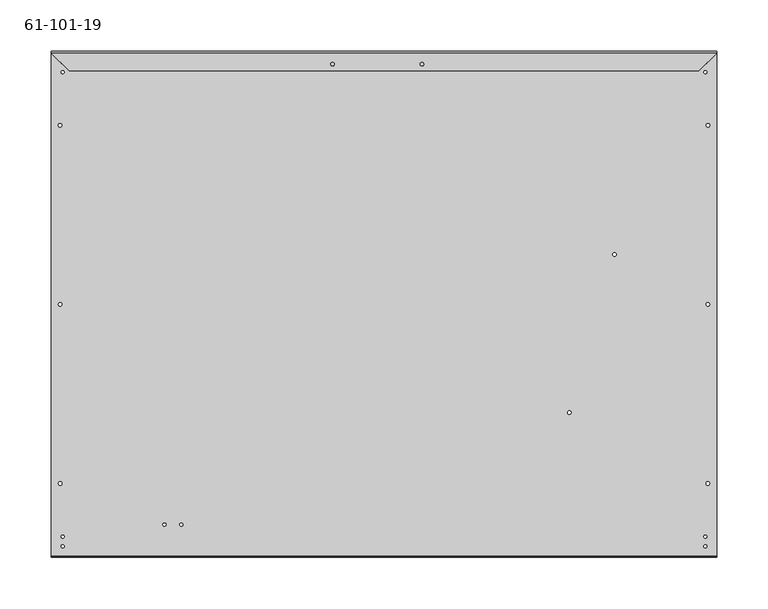
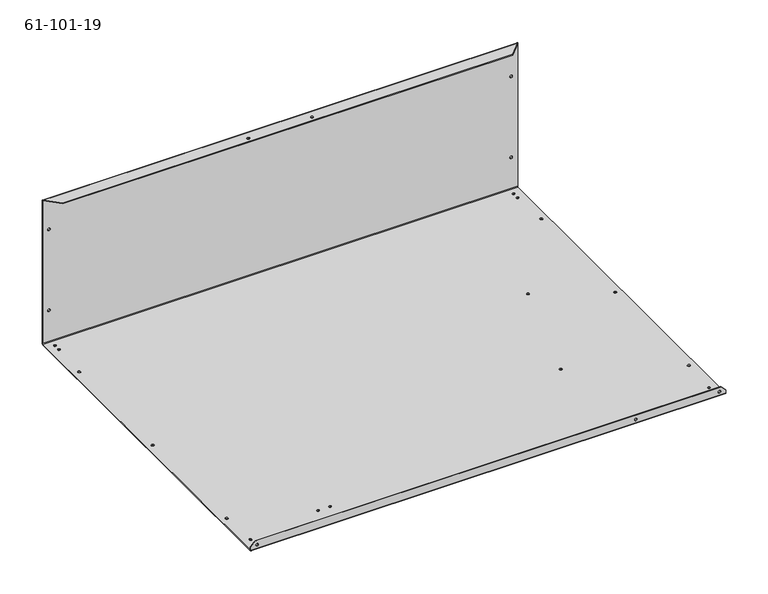
"""IFC4 building model written with IfcOpenShell, lengths in millimetres: proxy geometry, 61-101-19."""

from ifc_helpers import new_model, si_unit, frame, origin, place, context, project, spatial, polyline, circle_curve, source, transform, mapped, element, save
from ifc_brep_helpers import plane_surface, cylinder_surface, revolved_surface, advanced_brep


def proxy_61_101_19_1109a837(model_context):
    return source(origin(), model_context, "Body", "AdvancedBrep", [
        advanced_brep(
        [(642.01294, 8.7529273, 46.7603535), (642.01294, 7.8994873, 46.7603535), (638.58394, 7.8994873, 46.7603535), (638.58394, 8.7529273, 46.7603535), (10.3759, 8.7529273, 46.7603535), (10.3759, 7.8994873, 46.7603535), (6.9469, 7.8994873, 46.7603535), (6.9469, 8.7529273, 46.7603535), (10.3759, 8.7529273, 163.6329268), (10.3759, 7.8994873, 163.6329268), (6.9469, 7.8994873, 163.6329268), (6.9469, 8.7529273, 163.6329268), (642.01294, 8.7529273, 163.6329268), (642.01294, 7.8994873, 163.6329268), (638.58394, 7.8994873, 163.6329268), (638.58394, 8.7529273, 163.6329268), (137.4521, 7.8994873, 200.025), (137.4521, 8.7529273, 200.025), (133.1087, 8.7529273, 200.025), (133.1087, 7.8994873, 200.025), (530.4917, 7.8994873, 200.025), (530.4917, 8.7529273, 200.025), (526.1483, 8.7529273, 200.025), (526.1483, 7.8994873, 200.025), (549.5417, 7.8994873, 200.025), (549.5417, 8.7529273, 200.025), (545.1983, 8.7529273, 200.025), (545.1983, 7.8994873, 200.025), (156.5021, 7.8994873, 200.025), (156.5021, 8.7529273, 200.025), (152.1587, 8.7529273, 200.025), (152.1587, 7.8994873, 200.025), (10.3759, -484.0172327, 6.46938), (10.3759, -484.8706727, 6.46938), (6.9469, -484.8706727, 6.46938), (6.9469, -484.0172327, 6.46938), (527.7231, -484.0172327, 6.46938), (527.7231, -484.8706727, 6.46938), (524.2941, -484.8706727, 6.46938), (524.2941, -484.0172327, 6.46938), (642.0231, -484.0172327, 6.46938), (642.0231, -484.8706727, 6.46938), (638.5941, -484.8706727, 6.46938), (638.5941, -484.0172327, 6.46938), (6.95706, -63.4074259, 0.85344), (6.95706, -63.4074259, 0.0), (10.38606, -63.4074259, 0.0), (10.38606, -63.4074259, 0.85344), (6.95706, -412.7153995, 0.85344), (6.95706, -412.7153995, 0.0), (10.38606, -412.7153995, 0.0), (10.38606, -412.7153995, 0.85344), (638.58394, -238.0614127, 0.85344), (638.58394, -238.0614127, 0.0), (642.01294, -238.0614127, 0.0), (642.01294, -238.0614127, 0.85344), (638.58394, -63.4074259, 0.85344), (638.58394, -63.4074259, 0.0), (642.01294, -63.4074259, 0.0), (642.01294, -63.4074259, 0.85344), (638.58394, -412.7153995, 0.85344), (638.58394, -412.7153995, 0.0), (642.01294, -412.7153995, 0.0), (642.01294, -412.7153995, 0.85344), (6.95706, -238.0614127, 0.85344), (6.95706, -238.0614127, 0.0), (10.38606, -238.0614127, 0.0), (10.38606, -238.0614127, 0.85344), (503.50674, -343.6065561, 0.85344), (503.50674, -343.6065561, 0.0), (506.93574, -343.6065561, 0.0), (506.93574, -343.6065561, 0.85344), (547.5605, -189.5042327, 0.85344), (547.5605, -189.5042327, 0.0), (550.9895, -189.5042327, 0.0), (550.9895, -189.5042327, 0.85344), (636.3335, -11.5670727, 0.85344), (636.3335, -11.5670727, 0.0), (639.3815, -11.5670727, 0.0), (639.3815, -11.5670727, 0.85344), (636.3335, -474.0756727, 0.85344), (636.3335, -474.0756727, 0.0), (639.3815, -474.0756727, 0.0), (639.3815, -474.0756727, 0.85344), (9.5885, -464.5506727, 0.85344), (9.5885, -464.5506727, 0.0), (12.6365, -464.5506727, 0.0), (12.6365, -464.5506727, 0.85344), (9.5885, -11.5670727, 0.85344), (9.5885, -11.5670727, 0.0), (12.6365, -11.5670727, 0.0), (12.6365, -11.5670727, 0.85344), (9.5885, -2.0420727, 0.85344), (9.5885, -2.0420727, 0.0), (12.6365, -2.0420727, 0.0), (12.6365, -2.0420727, 0.85344), (9.5885, -474.0756727, 0.85344), (9.5885, -474.0756727, 0.0), (12.6365, -474.0756727, 0.0), (12.6365, -474.0756727, 0.85344), (636.3335, -464.5506727, 0.85344), (636.3335, -464.5506727, 0.0), (639.3815, -464.5506727, 0.0), (639.3815, -464.5506727, 0.85344), (636.3335, -2.0420727, 0.85344), (636.3335, -2.0420727, 0.0), (639.3815, -2.0420727, 0.0), (639.3815, -2.0420727, 0.85344), (108.87202, -452.8285727, 0.85344), (108.87202, -452.8285727, 0.0), (111.92002, -452.8285727, 0.0), (111.92002, -452.8285727, 0.85344), (125.38202, -452.8285727, 0.85344), (125.38202, -452.8285727, 0.0), (128.43002, -452.8285727, 0.0), (128.43002, -452.8285727, 0.85344), (363.0881332, -3.851312, 208.69656), (363.0881332, -3.851312, 209.55), (359.6591332, -3.851312, 209.55), (359.6591332, -3.851312, 208.69656), (276.0423332, -3.851312, 208.69656), (276.0423332, -3.851312, 209.55), (272.6133332, -3.851312, 209.55), (272.6133332, -3.851312, 208.69656), (648.97, -484.0172327, 6.35508), (642.62, -484.0172327, 12.70508), (642.62, -484.8706727, 12.70508), (648.97, -484.8706727, 6.35508), (6.35, -484.0172327, 12.70508), (6.35, -484.8706727, 12.70508), (648.97, -484.0172327, 1.70688), (0.0, -484.0172327, 1.70688), (0.0, -484.0172327, 6.35508), (0.0, -484.8706727, 6.35508), (0.0, -484.8706727, 1.70688), (648.97, -484.8706727, 1.70688), (648.97, 7.0460473, 209.55), (631.62688, -10.2970727, 209.55), (631.62688, -10.2970727, 208.69656), (648.97, 7.0460473, 208.69656), (17.34312, -10.2970727, 209.55), (0.0, 7.0460473, 209.55), (0.0, 7.0460473, 208.69656), (17.34312, -10.2970727, 208.69656), (0.0, 7.8994873, 207.84312), (648.97, 7.8994873, 207.84312), (0.0, 8.7529273, 207.84312), (648.97, 8.7529273, 207.84312), (0.0, 8.7529273, 1.70688), (0.0, 7.8994873, 1.70688), (648.97, 8.7529273, 1.70688), (648.97, 7.8994873, 1.70688), (0.0, 7.0460473, 0.85344), (648.97, 7.0460473, 0.85344), (0.0, 7.0460473, 0.0), (648.97, 7.0460473, 0.0), (648.97, -483.1637927, 0.85344), (648.97, -483.1637927, 0.0), (0.0, -483.1637927, 0.85344), (0.0, -483.1637927, 0.0)],
        [
            (0, 1),
            (1, 2, circle_curve(frame((640.29844, 7.8994873, 46.7603535), z_axis=(0.0, -1.0, 0.0), x_axis=(1.0, 0.0, 0.0)), 1.7145)),
            (2, 3),
            (3, 0, circle_curve(frame((640.29844, 8.7529273, 46.7603535), z_axis=(0.0, 1.0, 0.0), x_axis=(1.0, 0.0, 0.0)), 1.7145)),
            (4, 5),
            (5, 6, circle_curve(frame((8.6614, 7.8994873, 46.7603535), z_axis=(0.0, -1.0, 0.0), x_axis=(1.0, 0.0, 0.0)), 1.7145)),
            (6, 7),
            (7, 4, circle_curve(frame((8.6614, 8.7529273, 46.7603535), z_axis=(0.0, 1.0, 0.0), x_axis=(1.0, 0.0, 0.0)), 1.7145)),
            (8, 9),
            (9, 10, circle_curve(frame((8.6614, 7.8994873, 163.6329268), z_axis=(0.0, -1.0, 0.0), x_axis=(1.0, 0.0, 0.0)), 1.7145)),
            (10, 11),
            (11, 8, circle_curve(frame((8.6614, 8.7529273, 163.6329268), z_axis=(0.0, 1.0, 0.0), x_axis=(1.0, 0.0, 0.0)), 1.7145)),
            (12, 13),
            (13, 14, circle_curve(frame((640.29844, 7.8994873, 163.6329268), z_axis=(0.0, -1.0, 0.0), x_axis=(1.0, 0.0, 0.0)), 1.7145)),
            (14, 15),
            (15, 12, circle_curve(frame((640.29844, 8.7529273, 163.6329268), z_axis=(0.0, 1.0, 0.0), x_axis=(1.0, 0.0, 0.0)), 1.7145)),
            (16, 17),
            (17, 18, circle_curve(frame((135.2804, 8.7529273, 200.025), z_axis=(0.0, 1.0, 0.0), x_axis=(1.0, 0.0, 0.0)), 2.1717)),
            (18, 19),
            (19, 16, circle_curve(frame((135.2804, 7.8994873, 200.025), z_axis=(0.0, -1.0, 0.0), x_axis=(1.0, 0.0, 0.0)), 2.1717)),
            (20, 21),
            (21, 22, circle_curve(frame((528.32, 8.7529273, 200.025), z_axis=(0.0, 1.0, 0.0), x_axis=(1.0, 0.0, 0.0)), 2.1717)),
            (22, 23),
            (23, 20, circle_curve(frame((528.32, 7.8994873, 200.025), z_axis=(0.0, -1.0, 0.0), x_axis=(1.0, 0.0, 0.0)), 2.1717)),
            (24, 25),
            (25, 26, circle_curve(frame((547.37, 8.7529273, 200.025), z_axis=(0.0, 1.0, 0.0), x_axis=(1.0, 0.0, 0.0)), 2.1717)),
            (26, 27),
            (27, 24, circle_curve(frame((547.37, 7.8994873, 200.025), z_axis=(0.0, -1.0, 0.0), x_axis=(1.0, 0.0, 0.0)), 2.1717)),
            (28, 29),
            (29, 30, circle_curve(frame((154.3304, 8.7529273, 200.025), z_axis=(0.0, 1.0, 0.0), x_axis=(1.0, 0.0, 0.0)), 2.1717)),
            (30, 31),
            (31, 28, circle_curve(frame((154.3304, 7.8994873, 200.025), z_axis=(0.0, -1.0, 0.0), x_axis=(1.0, 0.0, 0.0)), 2.1717)),
            (32, 33),
            (33, 34, circle_curve(frame((8.6614, -484.8706727, 6.46938), z_axis=(0.0, -1.0, 0.0), x_axis=(1.0, 0.0, 0.0)), 1.7145)),
            (34, 35),
            (35, 32, circle_curve(frame((8.6614, -484.0172327, 6.46938), z_axis=(0.0, 1.0, 0.0), x_axis=(1.0, 0.0, 0.0)), 1.7145)),
            (36, 37),
            (37, 38, circle_curve(frame((526.0086, -484.8706727, 6.46938), z_axis=(0.0, -1.0, 0.0), x_axis=(1.0, 0.0, 0.0)), 1.7145)),
            (38, 39),
            (39, 36, circle_curve(frame((526.0086, -484.0172327, 6.46938), z_axis=(0.0, 1.0, 0.0), x_axis=(1.0, 0.0, 0.0)), 1.7145)),
            (40, 41),
            (41, 42, circle_curve(frame((640.3086, -484.8706727, 6.46938), z_axis=(0.0, -1.0, 0.0), x_axis=(1.0, 0.0, 0.0)), 1.7145)),
            (42, 43),
            (43, 40, circle_curve(frame((640.3086, -484.0172327, 6.46938), z_axis=(0.0, 1.0, 0.0), x_axis=(1.0, 0.0, 0.0)), 1.7145)),
            (44, 45),
            (45, 46, circle_curve(frame((8.67156, -63.4074259, 0.0), z_axis=(0.0, 0.0, -1.0), x_axis=(-1.0, 0.0, 0.0)), 1.7145)),
            (46, 47),
            (47, 44, circle_curve(frame((8.67156, -63.4074259, 0.85344), z_axis=(0.0, 0.0, 1.0), x_axis=(-1.0, 0.0, 0.0)), 1.7145)),
            (48, 49),
            (49, 50, circle_curve(frame((8.67156, -412.7153995, 0.0), z_axis=(0.0, 0.0, -1.0), x_axis=(-1.0, 0.0, 0.0)), 1.7145)),
            (50, 51),
            (51, 48, circle_curve(frame((8.67156, -412.7153995, 0.85344), z_axis=(0.0, 0.0, 1.0), x_axis=(-1.0, 0.0, 0.0)), 1.7145)),
            (52, 53),
            (53, 54, circle_curve(frame((640.29844, -238.0614127, 0.0), z_axis=(0.0, 0.0, -1.0), x_axis=(-1.0, 0.0, 0.0)), 1.7145)),
            (54, 55),
            (55, 52, circle_curve(frame((640.29844, -238.0614127, 0.85344), z_axis=(0.0, 0.0, 1.0), x_axis=(-1.0, 0.0, 0.0)), 1.7145)),
            (56, 57),
            (57, 58, circle_curve(frame((640.29844, -63.4074259, 0.0), z_axis=(0.0, 0.0, -1.0), x_axis=(-1.0, 0.0, 0.0)), 1.7145)),
            (58, 59),
            (59, 56, circle_curve(frame((640.29844, -63.4074259, 0.85344), z_axis=(0.0, 0.0, 1.0), x_axis=(-1.0, 0.0, 0.0)), 1.7145)),
            (60, 61),
            (61, 62, circle_curve(frame((640.29844, -412.7153995, 0.0), z_axis=(0.0, 0.0, -1.0), x_axis=(-1.0, 0.0, 0.0)), 1.7145)),
            (62, 63),
            (63, 60, circle_curve(frame((640.29844, -412.7153995, 0.85344), z_axis=(0.0, 0.0, 1.0), x_axis=(-1.0, 0.0, 0.0)), 1.7145)),
            (64, 65),
            (65, 66, circle_curve(frame((8.67156, -238.0614127, 0.0), z_axis=(0.0, 0.0, -1.0), x_axis=(-1.0, 0.0, 0.0)), 1.7145)),
            (66, 67),
            (67, 64, circle_curve(frame((8.67156, -238.0614127, 0.85344), z_axis=(0.0, 0.0, 1.0), x_axis=(-1.0, 0.0, 0.0)), 1.7145)),
            (68, 69),
            (69, 70, circle_curve(frame((505.22124, -343.6065561, 0.0), z_axis=(0.0, 0.0, -1.0), x_axis=(-1.0, 0.0, 0.0)), 1.7145)),
            (70, 71),
            (71, 68, circle_curve(frame((505.22124, -343.6065561, 0.85344), z_axis=(0.0, 0.0, 1.0), x_axis=(-1.0, 0.0, 0.0)), 1.7145)),
            (72, 73),
            (73, 74, circle_curve(frame((549.275, -189.5042327, 0.0), z_axis=(0.0, 0.0, -1.0), x_axis=(-1.0, 0.0, 0.0)), 1.7145)),
            (74, 75),
            (75, 72, circle_curve(frame((549.275, -189.5042327, 0.85344), z_axis=(0.0, 0.0, 1.0), x_axis=(-1.0, 0.0, 0.0)), 1.7145)),
            (76, 77),
            (77, 78, circle_curve(frame((637.8575, -11.5670727, 0.0), z_axis=(0.0, 0.0, -1.0), x_axis=(-1.0, 0.0, 0.0)), 1.524)),
            (78, 79),
            (79, 76, circle_curve(frame((637.8575, -11.5670727, 0.85344), z_axis=(0.0, 0.0, 1.0), x_axis=(-1.0, 0.0, 0.0)), 1.524)),
            (80, 81),
            (81, 82, circle_curve(frame((637.8575, -474.0756727, 0.0), z_axis=(0.0, 0.0, -1.0), x_axis=(-1.0, 0.0, 0.0)), 1.524)),
            (82, 83),
            (83, 80, circle_curve(frame((637.8575, -474.0756727, 0.85344), z_axis=(0.0, 0.0, 1.0), x_axis=(-1.0, 0.0, 0.0)), 1.524)),
            (84, 85),
            (85, 86, circle_curve(frame((11.1125, -464.5506727, 0.0), z_axis=(0.0, 0.0, -1.0), x_axis=(-1.0, 0.0, 0.0)), 1.524)),
            (86, 87),
            (87, 84, circle_curve(frame((11.1125, -464.5506727, 0.85344), z_axis=(0.0, 0.0, 1.0), x_axis=(-1.0, 0.0, 0.0)), 1.524)),
            (88, 89),
            (89, 90, circle_curve(frame((11.1125, -11.5670727, 0.0), z_axis=(0.0, 0.0, -1.0), x_axis=(-1.0, 0.0, 0.0)), 1.524)),
            (90, 91),
            (91, 88, circle_curve(frame((11.1125, -11.5670727, 0.85344), z_axis=(0.0, 0.0, 1.0), x_axis=(-1.0, 0.0, 0.0)), 1.524)),
            (92, 93),
            (93, 94, circle_curve(frame((11.1125, -2.0420727, 0.0), z_axis=(0.0, 0.0, -1.0), x_axis=(-1.0, 0.0, 0.0)), 1.524)),
            (94, 95),
            (95, 92, circle_curve(frame((11.1125, -2.0420727, 0.85344), z_axis=(0.0, 0.0, 1.0), x_axis=(-1.0, 0.0, 0.0)), 1.524)),
            (96, 97),
            (97, 98, circle_curve(frame((11.1125, -474.0756727, 0.0), z_axis=(0.0, 0.0, -1.0), x_axis=(-1.0, 0.0, 0.0)), 1.524)),
            (98, 99),
            (99, 96, circle_curve(frame((11.1125, -474.0756727, 0.85344), z_axis=(0.0, 0.0, 1.0), x_axis=(-1.0, 0.0, 0.0)), 1.524)),
            (100, 101),
            (101, 102, circle_curve(frame((637.8575, -464.5506727, 0.0), z_axis=(0.0, 0.0, -1.0), x_axis=(-1.0, 0.0, 0.0)), 1.524)),
            (102, 103),
            (103, 100, circle_curve(frame((637.8575, -464.5506727, 0.85344), z_axis=(0.0, 0.0, 1.0), x_axis=(-1.0, 0.0, 0.0)), 1.524)),
            (104, 105),
            (105, 106, circle_curve(frame((637.8575, -2.0420727, 0.0), z_axis=(0.0, 0.0, -1.0), x_axis=(-1.0, 0.0, 0.0)), 1.524)),
            (106, 107),
            (107, 104, circle_curve(frame((637.8575, -2.0420727, 0.85344), z_axis=(0.0, 0.0, 1.0), x_axis=(-1.0, 0.0, 0.0)), 1.524)),
            (108, 109),
            (109, 110, circle_curve(frame((110.39602, -452.8285727, 0.0), z_axis=(0.0, 0.0, -1.0), x_axis=(-1.0, 0.0, 0.0)), 1.524)),
            (110, 111),
            (111, 108, circle_curve(frame((110.39602, -452.8285727, 0.85344), z_axis=(0.0, 0.0, 1.0), x_axis=(-1.0, 0.0, 0.0)), 1.524)),
            (112, 113),
            (113, 114, circle_curve(frame((126.90602, -452.8285727, 0.0), z_axis=(0.0, 0.0, -1.0), x_axis=(-1.0, 0.0, 0.0)), 1.524)),
            (114, 115),
            (115, 112, circle_curve(frame((126.90602, -452.8285727, 0.85344), z_axis=(0.0, 0.0, 1.0), x_axis=(-1.0, 0.0, 0.0)), 1.524)),
            (116, 117),
            (117, 118, circle_curve(frame((361.3736332, -3.851312, 209.55), z_axis=(0.0, 0.0, 1.0), x_axis=(1.0, 0.0, 0.0)), 1.7145)),
            (118, 119),
            (119, 116, circle_curve(frame((361.3736332, -3.851312, 208.69656), z_axis=(0.0, 0.0, -1.0), x_axis=(1.0, 0.0, 0.0)), 1.7145)),
            (120, 121),
            (121, 122, circle_curve(frame((274.3278332, -3.851312, 209.55), z_axis=(0.0, 0.0, 1.0), x_axis=(1.0, 0.0, 0.0)), 1.7145)),
            (122, 123),
            (123, 120, circle_curve(frame((274.3278332, -3.851312, 208.69656), z_axis=(0.0, 0.0, -1.0), x_axis=(1.0, 0.0, 0.0)), 1.7145)),
            (120, 123, circle_curve(frame((274.3278332, -3.851312, 208.69656), z_axis=(0.0, 0.0, -1.0), x_axis=(1.0, 0.0, 0.0)), 1.7145)),
            (122, 121, circle_curve(frame((274.3278332, -3.851312, 209.55), z_axis=(0.0, 0.0, 1.0), x_axis=(1.0, 0.0, 0.0)), 1.7145)),
            (116, 119, circle_curve(frame((361.3736332, -3.851312, 208.69656), z_axis=(0.0, 0.0, -1.0), x_axis=(1.0, 0.0, 0.0)), 1.7145)),
            (118, 117, circle_curve(frame((361.3736332, -3.851312, 209.55), z_axis=(0.0, 0.0, 1.0), x_axis=(1.0, 0.0, 0.0)), 1.7145)),
            (112, 115, circle_curve(frame((126.90602, -452.8285727, 0.85344), z_axis=(0.0, 0.0, 1.0), x_axis=(-1.0, 0.0, 0.0)), 1.524)),
            (114, 113, circle_curve(frame((126.90602, -452.8285727, 0.0), z_axis=(0.0, 0.0, -1.0), x_axis=(-1.0, 0.0, 0.0)), 1.524)),
            (108, 111, circle_curve(frame((110.39602, -452.8285727, 0.85344), z_axis=(0.0, 0.0, 1.0), x_axis=(-1.0, 0.0, 0.0)), 1.524)),
            (110, 109, circle_curve(frame((110.39602, -452.8285727, 0.0), z_axis=(0.0, 0.0, -1.0), x_axis=(-1.0, 0.0, 0.0)), 1.524)),
            (104, 107, circle_curve(frame((637.8575, -2.0420727, 0.85344), z_axis=(0.0, 0.0, 1.0), x_axis=(-1.0, 0.0, 0.0)), 1.524)),
            (106, 105, circle_curve(frame((637.8575, -2.0420727, 0.0), z_axis=(0.0, 0.0, -1.0), x_axis=(-1.0, 0.0, 0.0)), 1.524)),
            (100, 103, circle_curve(frame((637.8575, -464.5506727, 0.85344), z_axis=(0.0, 0.0, 1.0), x_axis=(-1.0, 0.0, 0.0)), 1.524)),
            (102, 101, circle_curve(frame((637.8575, -464.5506727, 0.0), z_axis=(0.0, 0.0, -1.0), x_axis=(-1.0, 0.0, 0.0)), 1.524)),
            (96, 99, circle_curve(frame((11.1125, -474.0756727, 0.85344), z_axis=(0.0, 0.0, 1.0), x_axis=(-1.0, 0.0, 0.0)), 1.524)),
            (98, 97, circle_curve(frame((11.1125, -474.0756727, 0.0), z_axis=(0.0, 0.0, -1.0), x_axis=(-1.0, 0.0, 0.0)), 1.524)),
            (92, 95, circle_curve(frame((11.1125, -2.0420727, 0.85344), z_axis=(0.0, 0.0, 1.0), x_axis=(-1.0, 0.0, 0.0)), 1.524)),
            (94, 93, circle_curve(frame((11.1125, -2.0420727, 0.0), z_axis=(0.0, 0.0, -1.0), x_axis=(-1.0, 0.0, 0.0)), 1.524)),
            (88, 91, circle_curve(frame((11.1125, -11.5670727, 0.85344), z_axis=(0.0, 0.0, 1.0), x_axis=(-1.0, 0.0, 0.0)), 1.524)),
            (90, 89, circle_curve(frame((11.1125, -11.5670727, 0.0), z_axis=(0.0, 0.0, -1.0), x_axis=(-1.0, 0.0, 0.0)), 1.524)),
            (84, 87, circle_curve(frame((11.1125, -464.5506727, 0.85344), z_axis=(0.0, 0.0, 1.0), x_axis=(-1.0, 0.0, 0.0)), 1.524)),
            (86, 85, circle_curve(frame((11.1125, -464.5506727, 0.0), z_axis=(0.0, 0.0, -1.0), x_axis=(-1.0, 0.0, 0.0)), 1.524)),
            (80, 83, circle_curve(frame((637.8575, -474.0756727, 0.85344), z_axis=(0.0, 0.0, 1.0), x_axis=(-1.0, 0.0, 0.0)), 1.524)),
            (82, 81, circle_curve(frame((637.8575, -474.0756727, 0.0), z_axis=(0.0, 0.0, -1.0), x_axis=(-1.0, 0.0, 0.0)), 1.524)),
            (76, 79, circle_curve(frame((637.8575, -11.5670727, 0.85344), z_axis=(0.0, 0.0, 1.0), x_axis=(-1.0, 0.0, 0.0)), 1.524)),
            (78, 77, circle_curve(frame((637.8575, -11.5670727, 0.0), z_axis=(0.0, 0.0, -1.0), x_axis=(-1.0, 0.0, 0.0)), 1.524)),
            (124, 125),
            (125, 126),
            (126, 127),
            (127, 124),
            (125, 128),
            (128, 129),
            (129, 126),
            (124, 130),
            (130, 131),
            (131, 132),
            (132, 128),
            (35, 32, circle_curve(frame((8.6614, -484.0172327, 6.46938), z_axis=(0.0, -1.0, 0.0), x_axis=(1.0, 0.0, 0.0)), 1.7145)),
            (39, 36, circle_curve(frame((526.0086, -484.0172327, 6.46938), z_axis=(0.0, -1.0, 0.0), x_axis=(1.0, 0.0, 0.0)), 1.7145)),
            (43, 40, circle_curve(frame((640.3086, -484.0172327, 6.46938), z_axis=(0.0, -1.0, 0.0), x_axis=(1.0, 0.0, 0.0)), 1.7145)),
            (132, 133),
            (133, 129),
            (72, 75, circle_curve(frame((549.275, -189.5042327, 0.85344), z_axis=(0.0, 0.0, 1.0), x_axis=(-1.0, 0.0, 0.0)), 1.7145)),
            (74, 73, circle_curve(frame((549.275, -189.5042327, 0.0), z_axis=(0.0, 0.0, -1.0), x_axis=(-1.0, 0.0, 0.0)), 1.7145)),
            (68, 71, circle_curve(frame((505.22124, -343.6065561, 0.85344), z_axis=(0.0, 0.0, 1.0), x_axis=(-1.0, 0.0, 0.0)), 1.7145)),
            (70, 69, circle_curve(frame((505.22124, -343.6065561, 0.0), z_axis=(0.0, 0.0, -1.0), x_axis=(-1.0, 0.0, 0.0)), 1.7145)),
            (64, 67, circle_curve(frame((8.67156, -238.0614127, 0.85344), z_axis=(0.0, 0.0, 1.0), x_axis=(-1.0, 0.0, 0.0)), 1.7145)),
            (66, 65, circle_curve(frame((8.67156, -238.0614127, 0.0), z_axis=(0.0, 0.0, -1.0), x_axis=(-1.0, 0.0, 0.0)), 1.7145)),
            (60, 63, circle_curve(frame((640.29844, -412.7153995, 0.85344), z_axis=(0.0, 0.0, 1.0), x_axis=(-1.0, 0.0, 0.0)), 1.7145)),
            (62, 61, circle_curve(frame((640.29844, -412.7153995, 0.0), z_axis=(0.0, 0.0, -1.0), x_axis=(-1.0, 0.0, 0.0)), 1.7145)),
            (56, 59, circle_curve(frame((640.29844, -63.4074259, 0.85344), z_axis=(0.0, 0.0, 1.0), x_axis=(-1.0, 0.0, 0.0)), 1.7145)),
            (58, 57, circle_curve(frame((640.29844, -63.4074259, 0.0), z_axis=(0.0, 0.0, -1.0), x_axis=(-1.0, 0.0, 0.0)), 1.7145)),
            (52, 55, circle_curve(frame((640.29844, -238.0614127, 0.85344), z_axis=(0.0, 0.0, 1.0), x_axis=(-1.0, 0.0, 0.0)), 1.7145)),
            (54, 53, circle_curve(frame((640.29844, -238.0614127, 0.0), z_axis=(0.0, 0.0, -1.0), x_axis=(-1.0, 0.0, 0.0)), 1.7145)),
            (48, 51, circle_curve(frame((8.67156, -412.7153995, 0.85344), z_axis=(0.0, 0.0, 1.0), x_axis=(-1.0, 0.0, 0.0)), 1.7145)),
            (50, 49, circle_curve(frame((8.67156, -412.7153995, 0.0), z_axis=(0.0, 0.0, -1.0), x_axis=(-1.0, 0.0, 0.0)), 1.7145)),
            (44, 47, circle_curve(frame((8.67156, -63.4074259, 0.85344), z_axis=(0.0, 0.0, 1.0), x_axis=(-1.0, 0.0, 0.0)), 1.7145)),
            (46, 45, circle_curve(frame((8.67156, -63.4074259, 0.0), z_axis=(0.0, 0.0, -1.0), x_axis=(-1.0, 0.0, 0.0)), 1.7145)),
            (42, 41, circle_curve(frame((640.3086, -484.8706727, 6.46938), z_axis=(0.0, -1.0, 0.0), x_axis=(1.0, 0.0, 0.0)), 1.7145)),
            (38, 37, circle_curve(frame((526.0086, -484.8706727, 6.46938), z_axis=(0.0, -1.0, 0.0), x_axis=(1.0, 0.0, 0.0)), 1.7145)),
            (133, 134),
            (134, 135),
            (135, 127),
            (33, 34, circle_curve(frame((8.6614, -484.8706727, 6.46938), z_axis=(0.0, 1.0, 0.0), x_axis=(1.0, 0.0, 0.0)), 1.7145)),
            (28, 31, circle_curve(frame((154.3304, 7.8994873, 200.025), z_axis=(0.0, -1.0, 0.0), x_axis=(1.0, 0.0, 0.0)), 2.1717)),
            (30, 29, circle_curve(frame((154.3304, 8.7529273, 200.025), z_axis=(0.0, 1.0, 0.0), x_axis=(1.0, 0.0, 0.0)), 2.1717)),
            (24, 27, circle_curve(frame((547.37, 7.8994873, 200.025), z_axis=(0.0, -1.0, 0.0), x_axis=(1.0, 0.0, 0.0)), 2.1717)),
            (26, 25, circle_curve(frame((547.37, 8.7529273, 200.025), z_axis=(0.0, 1.0, 0.0), x_axis=(1.0, 0.0, 0.0)), 2.1717)),
            (20, 23, circle_curve(frame((528.32, 7.8994873, 200.025), z_axis=(0.0, -1.0, 0.0), x_axis=(1.0, 0.0, 0.0)), 2.1717)),
            (22, 21, circle_curve(frame((528.32, 8.7529273, 200.025), z_axis=(0.0, 1.0, 0.0), x_axis=(1.0, 0.0, 0.0)), 2.1717)),
            (16, 19, circle_curve(frame((135.2804, 7.8994873, 200.025), z_axis=(0.0, -1.0, 0.0), x_axis=(1.0, 0.0, 0.0)), 2.1717)),
            (18, 17, circle_curve(frame((135.2804, 8.7529273, 200.025), z_axis=(0.0, 1.0, 0.0), x_axis=(1.0, 0.0, 0.0)), 2.1717)),
            (12, 15, circle_curve(frame((640.29844, 8.7529273, 163.6329268), z_axis=(0.0, 1.0, 0.0), x_axis=(1.0, 0.0, 0.0)), 1.7145)),
            (14, 13, circle_curve(frame((640.29844, 7.8994873, 163.6329268), z_axis=(0.0, -1.0, 0.0), x_axis=(1.0, 0.0, 0.0)), 1.7145)),
            (8, 11, circle_curve(frame((8.6614, 8.7529273, 163.6329268), z_axis=(0.0, 1.0, 0.0), x_axis=(1.0, 0.0, 0.0)), 1.7145)),
            (10, 9, circle_curve(frame((8.6614, 7.8994873, 163.6329268), z_axis=(0.0, -1.0, 0.0), x_axis=(1.0, 0.0, 0.0)), 1.7145)),
            (4, 7, circle_curve(frame((8.6614, 8.7529273, 46.7603535), z_axis=(0.0, 1.0, 0.0), x_axis=(1.0, 0.0, 0.0)), 1.7145)),
            (6, 5, circle_curve(frame((8.6614, 7.8994873, 46.7603535), z_axis=(0.0, -1.0, 0.0), x_axis=(1.0, 0.0, 0.0)), 1.7145)),
            (0, 3, circle_curve(frame((640.29844, 8.7529273, 46.7603535), z_axis=(0.0, 1.0, 0.0), x_axis=(1.0, 0.0, 0.0)), 1.7145)),
            (2, 1, circle_curve(frame((640.29844, 7.8994873, 46.7603535), z_axis=(0.0, -1.0, 0.0), x_axis=(1.0, 0.0, 0.0)), 1.7145)),
            (136, 137),
            (137, 138),
            (138, 139),
            (139, 136),
            (140, 141),
            (141, 142),
            (142, 143),
            (143, 140),
            (137, 140),
            (143, 138),
            (139, 142),
            (142, 144, circle_curve(frame((0.0, 7.0460473, 207.84312), z_axis=(-1.0, 0.0, 0.0), x_axis=(0.0, 1.0, 0.0)), 0.85344)),
            (144, 145),
            (145, 139, circle_curve(frame((648.97, 7.0460473, 207.84312), z_axis=(1.0, 0.0, 0.0), x_axis=(0.0, 1.0, 0.0)), 0.85344)),
            (136, 141),
            (141, 146, circle_curve(frame((0.0, 7.0460473, 207.84312), z_axis=(-1.0, 0.0, 0.0), x_axis=(0.0, 1.0, 0.0)), 1.70688)),
            (146, 144),
            (145, 147),
            (147, 136, circle_curve(frame((648.97, 7.0460473, 207.84312), z_axis=(1.0, 0.0, 0.0), x_axis=(0.0, 1.0, 0.0)), 1.70688)),
            (147, 146),
            (146, 148),
            (148, 149),
            (149, 144),
            (147, 150),
            (150, 148),
            (145, 151),
            (151, 150),
            (135, 130),
            (131, 134),
            (151, 149),
            (149, 152, circle_curve(frame((0.0, 7.0460473, 1.70688), z_axis=(-1.0, 0.0, 0.0), x_axis=(0.0, 0.0, -1.0)), 0.85344)),
            (152, 153),
            (153, 151, circle_curve(frame((648.97, 7.0460473, 1.70688), z_axis=(1.0, 0.0, 0.0), x_axis=(0.0, 0.0, -1.0)), 0.85344)),
            (148, 154, circle_curve(frame((0.0, 7.0460473, 1.70688), z_axis=(-1.0, 0.0, 0.0), x_axis=(0.0, 0.0, -1.0)), 1.70688)),
            (154, 152),
            (153, 155),
            (155, 150, circle_curve(frame((648.97, 7.0460473, 1.70688), z_axis=(1.0, 0.0, 0.0), x_axis=(0.0, 0.0, -1.0)), 1.70688)),
            (155, 154),
            (153, 156),
            (156, 157),
            (157, 155),
            (152, 158),
            (158, 156),
            (130, 156, circle_curve(frame((648.97, -483.1637927, 1.70688), z_axis=(1.0, 0.0, 0.0), x_axis=(0.0, 0.0, -1.0)), 0.85344)),
            (158, 131, circle_curve(frame((0.0, -483.1637927, 1.70688), z_axis=(-1.0, 0.0, 0.0), x_axis=(0.0, 0.0, -1.0)), 0.85344)),
            (135, 157, circle_curve(frame((648.97, -483.1637927, 1.70688), z_axis=(1.0, 0.0, 0.0), x_axis=(0.0, 0.0, -1.0)), 1.70688)),
            (158, 159),
            (159, 134, circle_curve(frame((0.0, -483.1637927, 1.70688), z_axis=(-1.0, 0.0, 0.0), x_axis=(0.0, 0.0, -1.0)), 1.70688)),
            (159, 157),
            (154, 159),
        ],
        [
            revolved_surface(polyline([(642.0129400000001, 7.899487299999976, 46.7603535), (642.0129400000001, 8.75292730000001, 46.7603535)]), (640.29844, 356.9948283, 46.7603535), (0.0, -1.0, 0.0)),
            revolved_surface(polyline([(10.3759, 7.899487299999976, 46.7603535), (10.3759, 8.75292730000001, 46.7603535)]), (8.6614, 356.9948283, 46.7603535), (0.0, -1.0, 0.0)),
            revolved_surface(polyline([(10.3759, 7.899487299999976, 163.6329268), (10.3759, 8.75292730000001, 163.6329268)]), (8.6614, 356.9948283, 163.6329268), (0.0, -1.0, 0.0)),
            revolved_surface(polyline([(642.0129400000001, 7.899487299999976, 163.6329268), (642.0129400000001, 8.75292730000001, 163.6329268)]), (640.29844, 356.9948283, 163.6329268), (0.0, -1.0, 0.0)),
            revolved_surface(polyline([(137.45209999999997, 8.7529273, 200.025), (137.45209999999997, 7.8994873, 200.025)]), (135.2804, 8.3262073, 200.025), (0.0, 1.0, 0.0)),
            revolved_surface(polyline([(530.4917, 8.7529273, 200.025), (530.4917, 7.8994873, 200.025)]), (528.32, 8.3262073, 200.025), (0.0, 1.0, 0.0)),
            revolved_surface(polyline([(549.5417, 8.7529273, 200.025), (549.5417, 7.8994873, 200.025)]), (547.37, 8.3262073, 200.025), (0.0, 1.0, 0.0)),
            revolved_surface(polyline([(156.50209999999998, 8.7529273, 200.025), (156.50209999999998, 7.8994873, 200.025)]), (154.3304, 8.3262073, 200.025), (0.0, 1.0, 0.0)),
            revolved_surface(polyline([(10.3759, -484.8706727, 6.46938), (10.3759, -484.0172327, 6.46938)]), (8.6614, -484.4439527, 6.46938), (0.0, -1.0, 0.0)),
            revolved_surface(polyline([(527.7231, -484.8706727, 6.46938), (527.7231, -484.0172327, 6.46938)]), (526.0086, -484.4439527, 6.46938), (0.0, -1.0, 0.0)),
            revolved_surface(polyline([(642.0231, -484.8706727, 6.46938), (642.0231, -484.0172327, 6.46938)]), (640.3086, -484.4439527, 6.46938), (0.0, -1.0, 0.0)),
            revolved_surface(polyline([(6.957059999999999, -63.4074259, 0.0), (6.957059999999999, -63.4074259, 0.85344)]), (8.67156, -63.4074259, 0.42672), (0.0, 0.0, -1.0)),
            revolved_surface(polyline([(6.957059999999999, -412.7153995, 0.0), (6.957059999999999, -412.7153995, 0.85344)]), (8.67156, -412.7153995, 0.42672), (0.0, 0.0, -1.0)),
            revolved_surface(polyline([(638.58394, -238.0614127, 0.0), (638.58394, -238.0614127, 0.85344)]), (640.29844, -238.0614127, 0.42672), (0.0, 0.0, -1.0)),
            revolved_surface(polyline([(638.58394, -63.4074259, 0.0), (638.58394, -63.4074259, 0.85344)]), (640.29844, -63.4074259, 0.42672), (0.0, 0.0, -1.0)),
            revolved_surface(polyline([(638.58394, -412.7153995, 0.0), (638.58394, -412.7153995, 0.85344)]), (640.29844, -412.7153995, 0.42672), (0.0, 0.0, -1.0)),
            revolved_surface(polyline([(6.957059999999999, -238.0614127, 0.0), (6.957059999999999, -238.0614127, 0.85344)]), (8.67156, -238.0614127, 0.42672), (0.0, 0.0, -1.0)),
            revolved_surface(polyline([(503.50674000000004, -343.6065561, 0.0), (503.50674000000004, -343.6065561, 0.8534399999999778)]), (505.22124, -343.6065561, 841.8655011), (0.0, 0.0, -1.0)),
            revolved_surface(polyline([(547.5604999999999, -189.5042327, 0.0), (547.5604999999999, -189.5042327, 0.8534399999999778)]), (549.275, -189.5042327, 841.8655011), (0.0, 0.0, -1.0)),
            revolved_surface(polyline([(636.3335, -11.5670727, 0.0), (636.3335, -11.5670727, 0.85344)]), (637.8575, -11.5670727, 0.42672), (0.0, 0.0, -1.0)),
            revolved_surface(polyline([(636.3335, -474.0756727, 0.0), (636.3335, -474.0756727, 0.85344)]), (637.8575, -474.0756727, 0.42672), (0.0, 0.0, -1.0)),
            revolved_surface(polyline([(9.5885, -464.5506727, 0.0), (9.5885, -464.5506727, 0.85344)]), (11.1125, -464.5506727, 0.42672), (0.0, 0.0, -1.0)),
            revolved_surface(polyline([(9.5885, -11.5670727, 0.0), (9.5885, -11.5670727, 0.85344)]), (11.1125, -11.5670727, 0.42672), (0.0, 0.0, -1.0)),
            revolved_surface(polyline([(9.5885, -2.0420727, 0.0), (9.5885, -2.0420727, 0.85344)]), (11.1125, -2.0420727, 0.42672), (0.0, 0.0, -1.0)),
            revolved_surface(polyline([(9.5885, -474.0756727, 0.0), (9.5885, -474.0756727, 0.85344)]), (11.1125, -474.0756727, 0.42672), (0.0, 0.0, -1.0)),
            revolved_surface(polyline([(636.3335, -464.5506727, 0.0), (636.3335, -464.5506727, 0.85344)]), (637.8575, -464.5506727, 0.42672), (0.0, 0.0, -1.0)),
            revolved_surface(polyline([(636.3335, -2.0420727, 0.0), (636.3335, -2.0420727, 0.85344)]), (637.8575, -2.0420727, 0.42672), (0.0, 0.0, -1.0)),
            revolved_surface(polyline([(108.87201999999999, -452.8285727, 0.0), (108.87201999999999, -452.8285727, 0.85344)]), (110.39602, -452.8285727, 0.42672), (0.0, 0.0, -1.0)),
            revolved_surface(polyline([(125.38202, -452.8285727, 0.0), (125.38202, -452.8285727, 0.85344)]), (126.90602, -452.8285727, 0.42672), (0.0, 0.0, -1.0)),
            revolved_surface(polyline([(363.08813319999996, -3.851312, 209.55), (363.08813319999996, -3.851312, 208.69656)]), (361.3736332, -3.851312, 209.12328), (0.0, 0.0, 1.0)),
            revolved_surface(polyline([(276.0423332, -3.851312, 209.55), (276.0423332, -3.851312, 208.69656)]), (274.3278332, -3.851312, 209.12328), (0.0, 0.0, 1.0)),
            plane_surface(frame((645.795, -484.8706727, 9.53008), z_axis=(0.7071067811865446, 0.0, 0.7071067811865506), x_axis=(0.7071067811865506, 0.0, -0.7071067811865446))),
            plane_surface(frame((648.97, -484.8706727, 12.70508), z_axis=(0.0, 0.0, 1.0), x_axis=(1.0, 0.0, 0.0))),
            plane_surface(frame((324.485, -484.0172327, 104.6632221), z_axis=(0.0, 1.0, 0.0), x_axis=(1.0, 0.0, 0.0))),
            plane_surface(frame((3.175, -484.8706727, 9.53008), z_axis=(-0.7071067811865488, 0.0, 0.7071067811865464), x_axis=(0.7071067811865464, 0.0, 0.7071067811865488))),
            plane_surface(frame((324.485, -484.8706727, 104.6632221), z_axis=(0.0, -1.0, 0.0), x_axis=(1.0, 0.0, 0.0))),
            plane_surface(frame((631.62688, -10.2970727, 209.55), z_axis=(0.707106781186552, -0.7071067811865431, 0.0), x_axis=(0.7071067811865431, 0.707106781186552, 0.0))),
            plane_surface(frame((0.0, 7.0460473, 209.55), z_axis=(-0.7071067811865501, -0.7071067811865449, 0.0), x_axis=(0.7071067811865449, -0.7071067811865501, 0.0))),
            plane_surface(frame((0.0, -10.2970727, 209.55), z_axis=(0.0, -1.0, 0.0), x_axis=(1.0, 0.0, 0.0))),
            revolved_surface(polyline([(648.97, 7.8994873, 207.84312), (0.0, 7.8994873, 207.84312)]), (324.485, 7.0460473, 207.84312), (1.0, 0.0, 0.0)),
            plane_surface(frame((324.485, -0.6602948, 209.55), z_axis=(0.0, 0.0, 1.0), x_axis=(0.0, -1.0, 0.0))),
            plane_surface(frame((0.0, 7.0460473, 209.55), z_axis=(-1.0, 0.0, 0.0), x_axis=(0.0, 0.0, 1.0))),
            plane_surface(frame((648.97, 7.0460473, 208.69656), z_axis=(1.0, 0.0, 0.0), x_axis=(0.0, 0.0, -1.0))),
            plane_surface(frame((324.485, -0.6602948, 208.69656), z_axis=(0.0, 0.0, -1.0), x_axis=(0.0, -1.0, 0.0))),
            cylinder_surface(frame((324.485, 7.0460473, 207.84312), z_axis=(1.0, 0.0, 0.0), x_axis=(0.0, 1.0, 0.0)), 1.70688),
            plane_surface(frame((0.0, 8.7529273, 1.70688), z_axis=(-1.0, 0.0, 0.0), x_axis=(0.0, -1.0, 0.0))),
            plane_surface(frame((324.485, 8.7529273, 104.6632221), z_axis=(0.0, 1.0, 0.0), x_axis=(1.0, 0.0, 0.0))),
            plane_surface(frame((648.97, 8.7529273, 1.70688), z_axis=(1.0, 0.0, 0.0), x_axis=(0.0, 1.0, 0.0))),
            plane_surface(frame((648.97, -484.8706727, 1.70688), z_axis=(1.0, 0.0, 0.0), x_axis=(0.0, -1.0, 0.0))),
            plane_surface(frame((0.0, -484.8706727, 1.70688), z_axis=(-1.0, 0.0, 0.0), x_axis=(0.0, 1.0, 0.0))),
            revolved_surface(polyline([(648.97, 7.0460473, 0.85344), (0.0, 7.0460473, 0.85344)]), (324.485, 7.0460473, 1.70688), (1.0, 0.0, 0.0)),
            plane_surface(frame((0.0, 8.7529273, 1.70688), z_axis=(-1.0, 0.0, 0.0), x_axis=(0.0, 0.0, 1.0))),
            plane_surface(frame((648.97, 7.8994873, 1.70688), z_axis=(1.0, 0.0, 0.0), x_axis=(0.0, 0.0, -1.0))),
            plane_surface(frame((324.485, 7.8994873, 104.6632221), z_axis=(0.0, -1.0, 0.0), x_axis=(1.0, 0.0, 0.0))),
            cylinder_surface(frame((324.485, 7.0460473, 1.70688), z_axis=(1.0, 0.0, 0.0), x_axis=(0.0, 0.0, -1.0)), 1.70688),
            plane_surface(frame((648.97, 8.7529273, 0.0), z_axis=(1.0, 0.0, 0.0), x_axis=(0.0, 0.0, -1.0))),
            plane_surface(frame((324.485, -238.0588727, 0.85344), z_axis=(0.0, 0.0, 1.0), x_axis=(1.0, 0.0, 0.0))),
            revolved_surface(polyline([(0.0, -483.1637927, 0.85344), (648.97, -483.1637927, 0.85344)]), (324.485, -483.1637927, 1.70688), (-1.0, 0.0, 0.0)),
            plane_surface(frame((648.97, -484.8706727, 1.70688), z_axis=(1.0, 0.0, 0.0), x_axis=(0.0, 0.0, -1.0))),
            plane_surface(frame((0.0, -484.0172327, 1.70688), z_axis=(-1.0, 0.0, 0.0), x_axis=(0.0, 0.0, 1.0))),
            cylinder_surface(frame((324.485, -483.1637927, 1.70688), z_axis=(-1.0, 0.0, 0.0), x_axis=(0.0, 0.0, -1.0)), 1.70688),
            plane_surface(frame((0.0, -484.8706727, 0.0), z_axis=(-1.0, 0.0, 0.0), x_axis=(0.0, 0.0, 1.0))),
            plane_surface(frame((324.485, -238.0588727, 0.0), z_axis=(0.0, 0.0, -1.0), x_axis=(1.0, 0.0, 0.0))),
        ],
        [
            (0, [[1, 2, 3, 4]]),
            (1, [[5, 6, 7, 8]]),
            (2, [[9, 10, 11, 12]]),
            (3, [[13, 14, 15, 16]]),
            (4, [[17, 18, 19, 20]]),
            (5, [[21, 22, 23, 24]]),
            (6, [[25, 26, 27, 28]]),
            (7, [[29, 30, 31, 32]]),
            (8, [[33, 34, 35, 36]]),
            (9, [[37, 38, 39, 40]]),
            (10, [[41, 42, 43, 44]]),
            (11, [[45, 46, 47, 48]]),
            (12, [[49, 50, 51, 52]]),
            (13, [[53, 54, 55, 56]]),
            (14, [[57, 58, 59, 60]]),
            (15, [[61, 62, 63, 64]]),
            (16, [[65, 66, 67, 68]]),
            (17, [[69, 70, 71, 72]]),
            (18, [[73, 74, 75, 76]]),
            (19, [[77, 78, 79, 80]]),
            (20, [[81, 82, 83, 84]]),
            (21, [[85, 86, 87, 88]]),
            (22, [[89, 90, 91, 92]]),
            (23, [[93, 94, 95, 96]]),
            (24, [[97, 98, 99, 100]]),
            (25, [[101, 102, 103, 104]]),
            (26, [[105, 106, 107, 108]]),
            (27, [[109, 110, 111, 112]]),
            (28, [[113, 114, 115, 116]]),
            (29, [[117, 118, 119, 120]]),
            (30, [[121, 122, 123, 124]]),
            (30, [[-121, 125, -123, 126]]),
            (29, [[-117, 127, -119, 128]]),
            (28, [[-113, 129, -115, 130]]),
            (27, [[-109, 131, -111, 132]]),
            (26, [[-105, 133, -107, 134]]),
            (25, [[-101, 135, -103, 136]]),
            (24, [[-97, 137, -99, 138]]),
            (23, [[-93, 139, -95, 140]]),
            (22, [[-89, 141, -91, 142]]),
            (21, [[-85, 143, -87, 144]]),
            (20, [[-81, 145, -83, 146]]),
            (19, [[-77, 147, -79, 148]]),
            (31, [[149, 150, 151, 152]]),
            (32, [[-150, 153, 154, 155]]),
            (33, [[-149, 156, 157, 158, 159, -153], [-36, 160], [-40, 161], [-44, 162]]),
            (34, [[-159, 163, 164, -154]]),
            (18, [[-73, 165, -75, 166]]),
            (17, [[-69, 167, -71, 168]]),
            (16, [[-65, 169, -67, 170]]),
            (15, [[-61, 171, -63, 172]]),
            (14, [[-57, 173, -59, 174]]),
            (13, [[-53, 175, -55, 176]]),
            (12, [[-49, 177, -51, 178]]),
            (11, [[-45, 179, -47, 180]]),
            (10, [[-41, -162, -43, 181]]),
            (9, [[-37, -161, -39, 182]]),
            (35, [[-151, -155, -164, 183, 184, 185], [-181, -42], [-182, -38], [186, -34]]),
            (8, [[-33, -160, -35, -186]]),
            (7, [[-29, 187, -31, 188]]),
            (6, [[-25, 189, -27, 190]]),
            (5, [[-21, 191, -23, 192]]),
            (4, [[-17, 193, -19, 194]]),
            (3, [[-13, 195, -15, 196]]),
            (2, [[-9, 197, -11, 198]]),
            (1, [[-5, 199, -7, 200]]),
            (0, [[-1, 201, -3, 202]]),
            (36, [[203, 204, 205, 206]]),
            (37, [[207, 208, 209, 210]]),
            (38, [[-204, 211, -210, 212]]),
            (39, [[213, 214, 215, 216]]),
            (40, [[-203, 217, -207, -211], [-126, -122], [-128, -118]]),
            (41, [[-208, 218, 219, -214]]),
            (42, [[-206, -216, 220, 221]]),
            (43, [[-205, -212, -209, -213], [-120, -127], [-124, -125]]),
            (44, [[-217, -221, 222, -218]]),
            (45, [[-219, 223, 224, 225]]),
            (46, [[-222, 226, 227, -223], [-188, -30], [-190, -26], [-192, -22], [-194, -18], [-195, -16], [-197, -12], [-199, -8], [-201, -4]]),
            (47, [[-220, 228, 229, -226]]),
            (48, [[-152, -185, 230, -156]]),
            (49, [[-163, -158, 231, -183]]),
            (50, [[232, 233, 234, 235]]),
            (51, [[-224, 236, 237, -233]]),
            (52, [[-229, -235, 238, 239]]),
            (53, [[-215, -225, -232, -228], [-2, -202], [-6, -200], [-10, -198], [-14, -196], [-20, -193], [-24, -191], [-28, -189], [-32, -187]]),
            (54, [[-227, -239, 240, -236]]),
            (55, [[-238, 241, 242, 243]]),
            (56, [[-234, 244, 245, -241], [-48, -179], [-52, -177], [-56, -175], [-60, -173], [-64, -171], [-68, -169], [-80, -147], [-84, -145], [-88, -143], [-92, -141], [-96, -139], [-100, -137], [-104, -135], [-108, -133], [-112, -131], [-116, -129], [-165, -76], [-167, -72]]),
            (57, [[-157, 246, -245, 247]]),
            (58, [[-230, 248, -242, -246]]),
            (59, [[-231, -247, 249, 250]]),
            (60, [[-184, -250, 251, -248]]),
            (61, [[-237, 252, -249, -244]]),
            (62, [[-240, -243, -251, -252], [-130, -114], [-132, -110], [-134, -106], [-136, -102], [-138, -98], [-140, -94], [-142, -90], [-144, -86], [-146, -82], [-148, -78], [-166, -74], [-168, -70], [-170, -66], [-172, -62], [-174, -58], [-176, -54], [-178, -50], [-180, -46]]),
        ],
    ),
    ])


if __name__ == "__main__":
    model = new_model("IFC4")
    model_context = context("Model", 3, world=origin())
    ifc_project = project(units=[si_unit("LENGTHUNIT", "METRE", prefix="MILLI")], contexts=[model_context])
    site = spatial("IfcSite", under=ifc_project)
    building = spatial("IfcBuilding", under=site)
    placement = place(None, origin())
    proxy_61_101_19_shape = proxy_61_101_19_1109a837(model_context)
    element("IfcBuildingElementProxy", 1, Name="61-101-19", ObjectType="61-101-19", at=placement, inside=building, context=model_context, shape_type="MappedRepresentation", body=[
        mapped(proxy_61_101_19_shape, transform((0.0, 0.0, 0.0), x_axis=(1.0, 0.0, 0.0), y_axis=(0.0, 1.0, 0.0), z_axis=(0.0, 0.0, 1.0))),
    ])
    save(model, "model.ifc")
